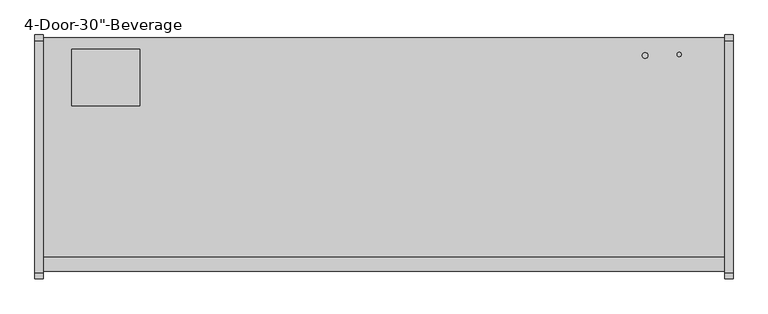
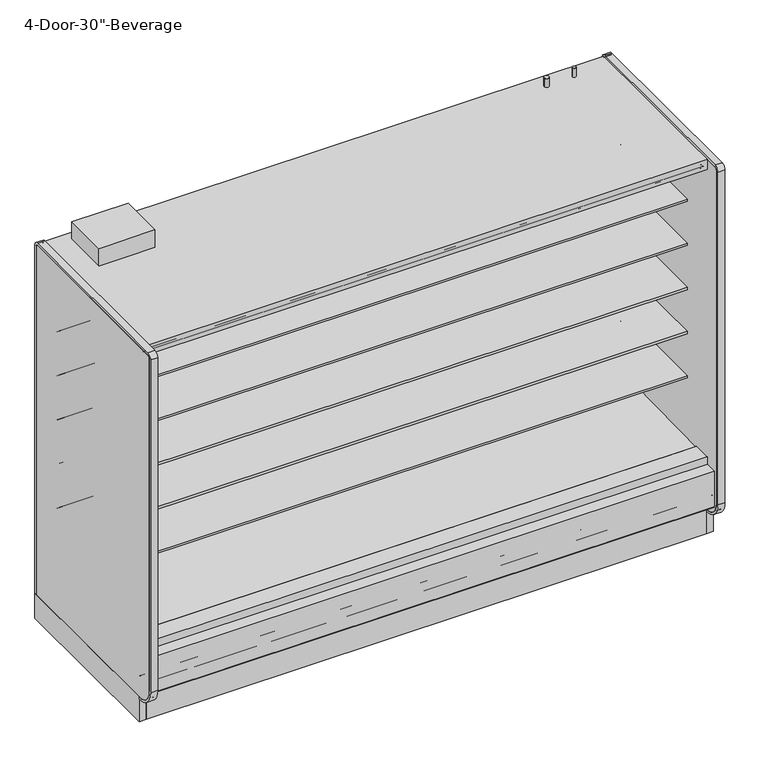
"""IFC4 building model written with IfcOpenShell, lengths in millimetres: proxy geometry."""

from ifc_helpers import new_model, si_unit, point, frame, frame_2d, origin, origin_with_axes, place, context, project, spatial, polyline, circle_curve, trimmed, segment, composite_curve, outline, extrude, source, transform, mapped, element, save
from ifc_brep_helpers import plane_surface, cylinder_surface, revolved_surface, advanced_brep


def proxy_6c0f6790(model_context):
    return source(origin(), model_context, "Body", "SolidModel", [
        extrude(outline(polyline([(-1318.106026, 207.2507391), (-1305.4059832, 196.5941379), (-1305.4059832, 0.4239338), (-1318.106026, 0.4239338), (-1318.106026, 207.2507391)])), frame((0.0, 0.0, 0.0), z_axis=(1.0, 0.0, 0.0), x_axis=(0.0, 1.0, 0.0)), (0.0, 0.0, 1.0), 3048.0),
        extrude(outline(polyline([(0.0, -76.2), (0.0, 0.0), (304.8, 0.0), (304.8, -76.2), (0.0, -76.2)])), frame((304.8, -1257.8018226, 2069.9402149), z_axis=(0.0, 0.07985742909739812, 0.9968062956351922), x_axis=(-1.0, 0.0, 0.0)), (0.0, 0.0, 1.0), 12.7),
        extrude(outline(composite_curve([segment(polyline([(-1139.652044, 788.1304004), (-1139.652044, 801.6241504), (-453.852044, 801.6241504), (-453.852044, 700.8188557), (-465.2157046, 700.5975577)]), True, "CONTINUOUS"), segment(trimmed(circle_curve(frame_2d((-465.7036503, 725.6535856)), 25.0607786), [point((-465.2157046, 700.5975577))], [point((-481.6109729, 706.2886764))], False, "CARTESIAN"), True, "CONTINUOUS"), segment(polyline([(-481.6109729, 706.2886764), (-519.8326735, 737.3719449)]), True, "CONTINUOUS"), segment(trimmed(circle_curve(frame_2d((-559.8971466, 688.1064601)), 63.5), [point((-519.8326735, 737.3719449))], [point((-553.0441372, 751.2355839))], True, "CARTESIAN"), True, "CONTINUOUS"), segment(polyline([(-553.0441372, 751.2355839), (-968.6518104, 783.846074), (-968.6518104, 788.1304004), (-1139.652044, 788.1304004)]), True, "CONTINUOUS")], self_intersect=False)), frame((0.0, 0.0, 0.0), z_axis=(1.0, 0.0, 0.0), x_axis=(0.0, 1.0, 0.0)), (0.0, 0.0, 1.0), 3048.0),
        extrude(outline(composite_curve([segment(polyline([(-1139.652044, 1042.1304004), (-1139.652044, 1055.6241504), (-453.852044, 1055.6241504), (-453.852044, 954.8188557), (-465.2157046, 954.5975577)]), True, "CONTINUOUS"), segment(trimmed(circle_curve(frame_2d((-465.7036503, 979.6535856)), 25.0607786), [point((-465.2157046, 954.5975577))], [point((-481.6109729, 960.2886764))], False, "CARTESIAN"), True, "CONTINUOUS"), segment(polyline([(-481.6109729, 960.2886764), (-519.8326735, 991.3719449)]), True, "CONTINUOUS"), segment(trimmed(circle_curve(frame_2d((-559.8971466, 942.1064601)), 63.5), [point((-519.8326735, 991.3719449))], [point((-553.0441372, 1005.2355839))], True, "CARTESIAN"), True, "CONTINUOUS"), segment(polyline([(-553.0441372, 1005.2355839), (-968.6518104, 1037.846074), (-968.6518104, 1042.1304004), (-1139.652044, 1042.1304004)]), True, "CONTINUOUS")], self_intersect=False)), frame((0.0, 0.0, 0.0), z_axis=(1.0, 0.0, 0.0), x_axis=(0.0, 1.0, 0.0)), (0.0, 0.0, 1.0), 3048.0),
        extrude(outline(composite_curve([segment(polyline([(-1139.652044, 1296.1304004), (-1139.652044, 1309.6241504), (-453.852044, 1309.6241504), (-453.852044, 1208.8188557), (-465.2157046, 1208.5975577)]), True, "CONTINUOUS"), segment(trimmed(circle_curve(frame_2d((-465.7036503, 1233.6535856)), 25.0607786), [point((-465.2157046, 1208.5975577))], [point((-481.6109729, 1214.2886764))], False, "CARTESIAN"), True, "CONTINUOUS"), segment(polyline([(-481.6109729, 1214.2886764), (-519.8326735, 1245.3719449)]), True, "CONTINUOUS"), segment(trimmed(circle_curve(frame_2d((-559.8971466, 1196.1064601)), 63.5), [point((-519.8326735, 1245.3719449))], [point((-553.0441372, 1259.2355839))], True, "CARTESIAN"), True, "CONTINUOUS"), segment(polyline([(-553.0441372, 1259.2355839), (-968.6518104, 1291.846074), (-968.6518104, 1296.1304004), (-1139.652044, 1296.1304004)]), True, "CONTINUOUS")], self_intersect=False)), frame((0.0, 0.0, 0.0), z_axis=(1.0, 0.0, 0.0), x_axis=(0.0, 1.0, 0.0)), (0.0, 0.0, 1.0), 3048.0),
        extrude(outline(composite_curve([segment(polyline([(-1139.652044, 1550.1304004), (-1139.652044, 1563.6241504), (-453.852044, 1563.6241504), (-453.852044, 1462.8188557), (-465.2157046, 1462.5975577)]), True, "CONTINUOUS"), segment(trimmed(circle_curve(frame_2d((-465.7036503, 1487.6535856)), 25.0607786), [point((-465.2157046, 1462.5975577))], [point((-481.6109729, 1468.2886764))], False, "CARTESIAN"), True, "CONTINUOUS"), segment(polyline([(-481.6109729, 1468.2886764), (-519.8326735, 1499.3719449)]), True, "CONTINUOUS"), segment(trimmed(circle_curve(frame_2d((-559.8971466, 1450.1064601)), 63.5), [point((-519.8326735, 1499.3719449))], [point((-553.0441372, 1513.2355839))], True, "CARTESIAN"), True, "CONTINUOUS"), segment(polyline([(-553.0441372, 1513.2355839), (-968.6518104, 1545.846074), (-968.6518104, 1550.1304004), (-1139.652044, 1550.1304004)]), True, "CONTINUOUS")], self_intersect=False)), frame((0.0, 0.0, 0.0), z_axis=(1.0, 0.0, 0.0), x_axis=(0.0, 1.0, 0.0)), (0.0, 0.0, 1.0), 3048.0),
        extrude(outline(composite_curve([segment(polyline([(-1179.8089716, 2076.7249354), (-1179.8089716, 2078.925392), (-1258.0451873, 2084.3962012), (-1258.0451873, 2075.9223079)]), True, "CONTINUOUS"), segment(trimmed(circle_curve(frame_2d((-1260.5851873, 2075.9223079)), 2.54), [point((-1258.0451873, 2075.9223079))], [point((-1260.5851873, 2073.3823079))], False, "CARTESIAN"), True, "CONTINUOUS"), segment(polyline([(-1260.5851873, 2073.3823079), (-1269.8053873, 2073.3823079)]), True, "CONTINUOUS"), segment(trimmed(circle_curve(frame_2d((-1269.8053873, 2075.9223079)), 2.54), [point((-1269.8053873, 2073.3823079))], [point((-1272.3453873, 2075.9223079))], False, "CARTESIAN"), True, "CONTINUOUS"), segment(polyline([(-1272.3453873, 2075.9223079), (-1272.3453873, 2092.9469554)]), True, "CONTINUOUS"), segment(trimmed(circle_curve(frame_2d((-1274.8853873, 2092.9469554)), 2.54), [point((-1272.3453873, 2092.9469554))], [point((-1274.8853873, 2095.4869554))], True, "CARTESIAN"), True, "CONTINUOUS"), segment(polyline([(-1274.8853873, 2095.4869554), (-1288.8553873, 2095.4869554)]), True, "CONTINUOUS"), segment(trimmed(circle_curve(frame_2d((-1288.8553873, 2098.0269554)), 2.54), [point((-1288.8553873, 2095.4869554))], [point((-1291.3953873, 2098.0269554))], False, "CARTESIAN"), True, "CONTINUOUS"), segment(polyline([(-1291.3953873, 2098.0269554), (-1291.3953873, 2102.7701079), (-402.3474764, 2102.7701079), (-402.3474764, 418.2554484), (-453.852044, 418.2554484), (-453.852044, 2076.7249354), (-1179.8089716, 2076.7249354)]), True, "CONTINUOUS")], self_intersect=False)), frame((0.0, 0.0, 0.0), z_axis=(1.0, 0.0, 0.0), x_axis=(0.0, 1.0, 0.0)), (0.0, 0.0, 1.0), 3048.0),
        advanced_brep(
        [(3048.0, -1318.106026, 204.9450868), (3048.0, -1318.106026, 0.0), (3048.0, -1156.1809832, 0.0), (3048.0, -1156.1809832, 130.5306), (3048.0, -1226.6745247, 130.5306), (3048.0, -1377.1737273, 256.8144254), (3048.0, -1377.1737273, 391.9982), (3048.0, -1326.8776974, 391.9982), (3048.0, -1326.8776974, 404.6728), (3048.0, -1393.9631273, 404.6728), (3048.0, -1393.9631273, 201.3982889), (3048.0, -1384.4389382, 195.8985595), (3048.0, -1339.6997646, 221.7199387), (0.0, -1318.106026, 204.9450868), (0.0, -1339.6997646, 221.7199387), (0.0, -1384.4389382, 195.8985595), (0.0, -1393.9631273, 201.3982889), (0.0, -1393.9631273, 404.6728), (0.0, -1326.8776974, 404.6728), (0.0, -1326.8776974, 391.9982), (0.0, -1377.1737273, 391.9982), (0.0, -1377.1737273, 256.8144254), (0.0, -1226.6745247, 130.5306), (0.0, -1156.1809832, 130.5306), (0.0, -1156.1809832, 0.0), (0.0, -1318.106026, 0.0), (677.9753763, -1301.1164467, 0.0), (677.9753763, -1203.5310315, 0.0), (363.1798722, -1203.5310315, 0.0), (363.1798722, -1301.1164467, 0.0), (677.9753763, -1301.1164467, 50.8), (677.9753763, -1203.5310315, 50.8), (363.1798722, -1203.5310315, 50.8), (363.1798722, -1301.1164467, 50.8)],
        [
            (0, 1),
            (1, 2),
            (2, 3),
            (3, 4),
            (4, 5),
            (5, 6),
            (6, 7),
            (7, 8),
            (8, 9),
            (9, 10),
            (10, 11, circle_curve(frame((3048.0, -1387.6131273, 201.3982889), z_axis=(1.0, 0.0, 0.0), x_axis=(0.0, 1.0, 0.0)), 6.35)),
            (11, 12),
            (12, 0),
            (13, 14),
            (14, 15),
            (15, 16, circle_curve(frame((0.0, -1387.6131273, 201.3982889), z_axis=(-1.0, 0.0, 0.0), x_axis=(0.0, 1.0, 0.0)), 6.35)),
            (16, 17),
            (17, 18),
            (18, 19),
            (19, 20),
            (20, 21),
            (21, 22),
            (22, 23),
            (23, 24),
            (24, 25),
            (25, 13),
            (0, 13),
            (25, 1),
            (24, 2),
            (26, 27),
            (27, 28),
            (28, 29),
            (29, 26),
            (23, 3),
            (22, 4),
            (21, 5),
            (20, 6),
            (19, 7),
            (18, 8),
            (17, 9),
            (16, 10),
            (15, 11),
            (14, 12),
            (26, 30),
            (30, 31),
            (31, 27),
            (28, 32),
            (32, 33),
            (33, 29),
            (31, 32),
            (30, 33),
        ],
        [
            plane_surface(frame((3048.0, -1318.106026, 0.0), z_axis=(1.0, 0.0, 0.0), x_axis=(0.0, 0.0, -1.0))),
            plane_surface(frame((0.0, -1318.106026, 0.0), z_axis=(-1.0, 0.0, 0.0), x_axis=(0.0, 0.0, 1.0))),
            plane_surface(frame((3048.0, -1318.106026, 204.9450868), z_axis=(0.0, -1.0, 0.0), x_axis=(-1.0, 0.0, 0.0))),
            plane_surface(frame((3048.0, -1318.106026, 0.0), z_axis=(0.0, 0.0, -1.0), x_axis=(-1.0, 0.0, 0.0))),
            plane_surface(frame((3048.0, -1156.1809832, 0.0), z_axis=(0.0, 1.0, 0.0), x_axis=(-1.0, 0.0, 0.0))),
            plane_surface(frame((3048.0, -1156.1809832, 130.5306), z_axis=(0.0, 0.0, 1.0), x_axis=(-1.0, 0.0, 0.0))),
            plane_surface(frame((3048.0, -1226.6745247, 130.5306), z_axis=(0.0, 0.6427876096877188, 0.7660444431179884), x_axis=(-1.0, 0.0, 0.0))),
            plane_surface(frame((3048.0, -1377.1737273, 256.8144254), z_axis=(0.0, 1.0, 0.0), x_axis=(-1.0, 0.0, 0.0))),
            plane_surface(frame((3048.0, -1377.1737273, 391.9982), z_axis=(0.0, 0.0, -1.0), x_axis=(-1.0, 0.0, 0.0))),
            plane_surface(frame((3048.0, -1326.8776974, 391.9982), z_axis=(0.0, 1.0, 0.0), x_axis=(-1.0, 0.0, 0.0))),
            plane_surface(frame((3048.0, -1326.8776974, 404.6728), z_axis=(0.0, 0.0, 1.0), x_axis=(-1.0, 0.0, 0.0))),
            plane_surface(frame((3048.0, -1393.9631273, 404.6728), z_axis=(0.0, -1.0, 0.0), x_axis=(-1.0, 0.0, 0.0))),
            cylinder_surface(frame((0.0, -1387.6131273, 201.3982889), z_axis=(1.0, 0.0, 0.0), x_axis=(0.0, 1.0, 0.0)), 6.35),
            plane_surface(frame((3048.0, -1384.4389382, 195.8985595), z_axis=(0.0, 0.4998723022013517, -0.8660991175910068), x_axis=(-1.0, 0.0, 0.0))),
            plane_surface(frame((3048.0, -1339.6997646, 221.7199387), z_axis=(0.0, -0.6134784338805639, -0.7897114733644501), x_axis=(-1.0, 0.0, 0.0))),
            plane_surface(frame((677.9753763, -1207.3278954, 0.0), z_axis=(-1.0, 0.0, 0.0), x_axis=(0.0, 1.0, 0.0))),
            plane_surface(frame((363.1798722, -1207.3278954, 0.0), z_axis=(1.0, 0.0, 0.0), x_axis=(0.0, -1.0, 0.0))),
            plane_surface(frame((677.9753763, -1203.5310315, 0.0), z_axis=(0.0, -1.0, 0.0), x_axis=(-1.0, 0.0, 0.0))),
            plane_surface(frame((677.9753763, -1203.5310315, 50.8), z_axis=(0.0, 0.0, -1.0), x_axis=(-1.0, 0.0, 0.0))),
            plane_surface(frame((677.9753763, -1301.1164467, 50.8), z_axis=(0.0, 1.0, 0.0), x_axis=(-1.0, 0.0, 0.0))),
        ],
        [
            (0, [[1, 2, 3, 4, 5, 6, 7, 8, 9, 10, 11, 12, 13]]),
            (1, [[14, 15, 16, 17, 18, 19, 20, 21, 22, 23, 24, 25, 26]]),
            (2, [[-1, 27, -26, 28]]),
            (3, [[-2, -28, -25, 29], [30, 31, 32, 33]]),
            (4, [[-3, -29, -24, 34]]),
            (5, [[-4, -34, -23, 35]]),
            (6, [[-5, -35, -22, 36]]),
            (7, [[-6, -36, -21, 37]]),
            (8, [[-7, -37, -20, 38]]),
            (9, [[-8, -38, -19, 39]]),
            (10, [[-9, -39, -18, 40]]),
            (11, [[-10, -40, -17, 41]]),
            (12, [[-11, -41, -16, 42]]),
            (13, [[-12, -42, -15, 43]]),
            (14, [[-13, -43, -14, -27]]),
            (15, [[44, 45, 46, -30]]),
            (16, [[47, 48, 49, -32]]),
            (17, [[-46, 50, -47, -31]]),
            (18, [[-45, 51, -48, -50]]),
            (19, [[-44, -33, -49, -51]]),
        ],
    ),
        extrude(outline(composite_curve([segment(trimmed(circle_curve(frame_2d((354.0125, 2971.8)), 12.7), [point((341.3125, 2971.8))], [point((366.7125, 2971.8))], False, "CARTESIAN"), True, "CONTINUOUS"), segment(trimmed(circle_curve(frame_2d((354.0125, 2971.8)), 12.7), [point((366.7125, 2971.8))], [point((341.3125, 2971.8))], False, "CARTESIAN"), True, "CONTINUOUS")], self_intersect=False)), frame((0.0, -399.8071273, 0.0), z_axis=(0.0, 1.0, 0.0), x_axis=(0.0, 0.0, 1.0)), (0.0, 0.0, 1.0), 50.8),
        extrude(outline(composite_curve([segment(trimmed(circle_curve(frame_2d((354.0125, 2921.0)), 9.525), [point((344.4875, 2921.0))], [point((363.5375, 2921.0))], False, "CARTESIAN"), True, "CONTINUOUS"), segment(trimmed(circle_curve(frame_2d((354.0125, 2921.0)), 9.525), [point((363.5375, 2921.0))], [point((344.4875, 2921.0))], False, "CARTESIAN"), True, "CONTINUOUS")], self_intersect=False)), frame((0.0, -399.8071273, 0.0), z_axis=(0.0, 1.0, 0.0), x_axis=(0.0, 0.0, 1.0)), (0.0, 0.0, 1.0), 50.8),
        advanced_brep(
        [(3048.0, -349.0071273, 130.5306), (3048.0, -349.0071273, 2159.0692079), (3048.0, -1328.759197, 2159.0692079), (3048.0, -1328.759197, 2102.7701079), (3048.0, -402.3474764, 2102.7701079), (3048.0, -402.3474764, 358.6596808), (3048.0, -549.3331942, 211.7249958), (3048.0, -991.2928374, 196.2548056), (3048.0, -1033.515372, 165.5831237), (3048.0, -1035.4689267, 165.5149041), (3048.0, -1048.6488905, 157.9054484), (3048.0, -1108.9738905, 157.9054484), (3048.0, -1117.2097949, 162.6604501), (3048.0, -1119.3438463, 162.5859274), (3048.0, -1169.010644, 190.034038), (3048.0, -1325.2901974, 342.4428), (3048.0, -1325.2901974, 391.9982), (3048.0, -1377.1737273, 391.9982), (3048.0, -1377.1737273, 256.8144254), (3048.0, -1226.6745247, 130.5306), (0.0, -349.0071273, 130.5306), (0.0, -1226.6745247, 130.5306), (0.0, -1377.1737273, 256.8144254), (0.0, -1377.1737273, 391.9982), (0.0, -1325.2901974, 391.9982), (0.0, -1325.2901974, 342.4428), (0.0, -1169.010644, 190.034038), (0.0, -1119.3438463, 162.5859274), (0.0, -1117.2097949, 162.6604501), (0.0, -1108.9738905, 157.9054484), (0.0, -1048.6488905, 157.9054484), (0.0, -1035.4689267, 165.5149041), (0.0, -1033.515372, 165.5831237), (0.0, -991.2928374, 196.2548056), (0.0, -549.3331942, 211.7249958), (0.0, -402.3474764, 358.6596808), (0.0, -402.3474764, 2102.7701079), (0.0, -1328.759197, 2102.7701079), (0.0, -1328.759197, 2159.0692079), (0.0, -349.0071273, 2159.0692079), (2946.4, -349.0071273, 303.2125), (2946.4, -349.0071273, 404.8125), (2946.4, -399.8071273, 404.8125), (2946.4, -399.8071273, 303.2125)],
        [
            (0, 1),
            (1, 2),
            (2, 3),
            (3, 4),
            (4, 5),
            (5, 6, circle_curve(frame((3048.0, -554.6779329, 364.0573175), z_axis=(-1.0, 0.0, 0.0), x_axis=(0.0, 1.0, 0.0)), 152.4260557)),
            (6, 7),
            (7, 8),
            (8, 9),
            (9, 10),
            (10, 11),
            (11, 12),
            (12, 13),
            (13, 14),
            (14, 15, circle_curve(frame((3048.0, -1174.2931139, 340.9461144), z_axis=(-1.0, 0.0, 0.0), x_axis=(0.0, 1.0, 0.0)), 151.0045009)),
            (15, 16),
            (16, 17),
            (17, 18),
            (18, 19),
            (19, 0),
            (20, 21),
            (21, 22),
            (22, 23),
            (23, 24),
            (24, 25),
            (25, 26, circle_curve(frame((0.0, -1174.2931139, 340.9461144), z_axis=(1.0, 0.0, 0.0), x_axis=(0.0, 1.0, 0.0)), 151.0045009)),
            (26, 27),
            (27, 28),
            (28, 29),
            (29, 30),
            (30, 31),
            (31, 32),
            (32, 33),
            (33, 34),
            (34, 35, circle_curve(frame((0.0, -554.6779329, 364.0573175), z_axis=(1.0, 0.0, 0.0), x_axis=(0.0, 1.0, 0.0)), 152.4260557)),
            (35, 36),
            (36, 37),
            (37, 38),
            (38, 39),
            (39, 20),
            (0, 20),
            (39, 1),
            (40, 41, circle_curve(frame((2946.4, -349.0071273, 354.0125), z_axis=(0.0, -1.0, 0.0), x_axis=(0.0, 0.0, -1.0)), 50.8)),
            (41, 40, circle_curve(frame((2946.4, -349.0071273, 354.0125), z_axis=(0.0, -1.0, 0.0), x_axis=(0.0, 0.0, -1.0)), 50.8)),
            (38, 2),
            (37, 3),
            (36, 4),
            (6, 34),
            (33, 7),
            (32, 8),
            (31, 9),
            (30, 10),
            (29, 11),
            (28, 12),
            (27, 13),
            (26, 14),
            (25, 15),
            (24, 16),
            (23, 17),
            (22, 18),
            (21, 19),
            (35, 5),
            (42, 43, circle_curve(frame((2946.4, -399.8071273, 354.0125), z_axis=(0.0, 1.0, 0.0), x_axis=(0.0, 0.0, -1.0)), 50.8)),
            (43, 42, circle_curve(frame((2946.4, -399.8071273, 354.0125), z_axis=(0.0, 1.0, 0.0), x_axis=(0.0, 0.0, -1.0)), 50.8)),
            (42, 41),
            (40, 43),
        ],
        [
            plane_surface(frame((3048.0, -349.0071273, 2154.3067079), z_axis=(1.0, 0.0, 0.0), x_axis=(0.0, 0.0, 1.0))),
            plane_surface(frame((0.0, -349.0071273, 2154.3067079), z_axis=(-1.0, 0.0, 0.0), x_axis=(0.0, 0.0, -1.0))),
            plane_surface(frame((3048.0, -349.0071273, 130.5306), z_axis=(0.0, 1.0, 0.0), x_axis=(-1.0, 0.0, 0.0))),
            plane_surface(frame((3048.0, -349.0071273, 2159.0692079), z_axis=(0.0, 0.0, 1.0), x_axis=(-1.0, 0.0, 0.0))),
            plane_surface(frame((3048.0, -1328.759197, 2159.0692079), z_axis=(0.0, -1.0, 0.0), x_axis=(-1.0, 0.0, 0.0))),
            plane_surface(frame((3048.0, -1328.759197, 2102.7701079), z_axis=(0.0, 0.0, -1.0), x_axis=(-1.0, 0.0, 0.0))),
            plane_surface(frame((3048.0, -549.3331942, 211.7249958), z_axis=(0.0, -0.03498220179415916, 0.9993879354673203), x_axis=(-1.0, 0.0, 0.0))),
            plane_surface(frame((3048.0, -991.2928374, 196.2548056), z_axis=(0.0, -0.5877252382161511, 0.8090605937528836), x_axis=(-1.0, 0.0, 0.0))),
            plane_surface(frame((3048.0, -1033.515372, 165.5831237), z_axis=(0.0, -0.034899496717989933, 0.9993908270185549), x_axis=(-1.0, 0.0, 0.0))),
            plane_surface(frame((3048.0, -1035.4689267, 165.5149041), z_axis=(0.0, -0.5000000000128472, 0.8660254037770214), x_axis=(-1.0, 0.0, 0.0))),
            plane_surface(frame((3048.0, -1048.6488905, 157.9054484), z_axis=(0.0, 0.0, 1.0), x_axis=(-1.0, 0.0, 0.0))),
            plane_surface(frame((3048.0, -1108.9738905, 157.9054484), z_axis=(0.0, 0.49999999998692984, 0.8660254037919848), x_axis=(-1.0, 0.0, 0.0))),
            plane_surface(frame((3048.0, -1117.2097949, 162.6604501), z_axis=(0.0, -0.03489949671806632, 0.9993908270185522), x_axis=(-1.0, 0.0, 0.0))),
            plane_surface(frame((3048.0, -1119.3438463, 162.5859274), z_axis=(0.0, 0.483695152932422, 0.8752365389023021), x_axis=(-1.0, 0.0, 0.0))),
            revolved_surface(polyline([(0.0, -1023.2886129999999, 340.9461144), (3048.0, -1023.2886129999999, 340.9461144)]), (0.0, -1174.2931139, 340.9461144), (-1.0, 0.0, 0.0)),
            plane_surface(frame((3048.0, -1325.2901974, 342.4428), z_axis=(0.0, 1.0, 0.0), x_axis=(-1.0, 0.0, 0.0))),
            plane_surface(frame((3048.0, -1325.2901974, 391.9982), z_axis=(0.0, 0.0, 1.0), x_axis=(-1.0, 0.0, 0.0))),
            plane_surface(frame((3048.0, -1377.1737273, 391.9982), z_axis=(0.0, -1.0, 0.0), x_axis=(-1.0, 0.0, 0.0))),
            plane_surface(frame((3048.0, -1377.1737273, 256.8144254), z_axis=(0.0, -0.6427876096877191, -0.7660444431179881), x_axis=(-1.0, 0.0, 0.0))),
            plane_surface(frame((3048.0, -1226.6745247, 130.5306), z_axis=(0.0, 0.0, -1.0), x_axis=(-1.0, 0.0, 0.0))),
            plane_surface(frame((3048.0, -402.3474764, 2102.7701079), z_axis=(0.0, -1.0, 0.0), x_axis=(-1.0, 0.0, 0.0))),
            revolved_surface(polyline([(0.0, -402.25187719999997, 364.0573175), (3048.0, -402.25187719999997, 364.0573175)]), (0.0, -554.6779329, 364.0573175), (-1.0, 0.0, 0.0)),
            plane_surface(frame((2946.4, -399.8071273, 303.2125), z_axis=(0.0, 1.0, 0.0), x_axis=(1.0, 0.0, 0.0))),
            revolved_surface(polyline([(2946.4, -349.0071273, 303.2125), (2946.4, -399.8071273, 303.2125)]), (2946.4, -399.8071273, 354.0125), (0.0, 1.0, 0.0)),
        ],
        [
            (0, [[1, 2, 3, 4, 5, 6, 7, 8, 9, 10, 11, 12, 13, 14, 15, 16, 17, 18, 19, 20]]),
            (1, [[21, 22, 23, 24, 25, 26, 27, 28, 29, 30, 31, 32, 33, 34, 35, 36, 37, 38, 39, 40]]),
            (2, [[-1, 41, -40, 42], [43, 44]]),
            (3, [[-2, -42, -39, 45]]),
            (4, [[-3, -45, -38, 46]]),
            (5, [[-4, -46, -37, 47]]),
            (6, [[-7, 48, -34, 49]]),
            (7, [[-8, -49, -33, 50]]),
            (8, [[-9, -50, -32, 51]]),
            (9, [[-10, -51, -31, 52]]),
            (10, [[-11, -52, -30, 53]]),
            (11, [[-12, -53, -29, 54]]),
            (12, [[-13, -54, -28, 55]]),
            (13, [[-14, -55, -27, 56]]),
            (14, [[-15, -56, -26, 57]]),
            (15, [[-16, -57, -25, 58]]),
            (16, [[-17, -58, -24, 59]]),
            (17, [[-18, -59, -23, 60]]),
            (18, [[-19, -60, -22, 61]]),
            (19, [[-20, -61, -21, -41]]),
            (20, [[-5, -47, -36, 62]]),
            (21, [[-6, -62, -35, -48]]),
            (22, [[63, 64]]),
            (23, [[-63, 65, -43, 66]]),
            (23, [[-64, -66, -44, -65]]),
        ],
    ),
        advanced_brep(
        [(3048.0, -349.0071273, 0.0), (3048.0, -349.0071273, 130.5306), (3048.0, -1156.1809832, 130.5306), (3048.0, -1156.1809832, 0.0), (3048.0, -1108.6576273, 0.0), (3048.0, -1108.6576273, 74.8810382), (3048.0, -394.2191273, 74.8810382), (3048.0, -394.2191273, 0.0), (0.0, -349.0071273, 0.0), (0.0, -394.2191273, 0.0), (0.0, -394.2191273, 74.8810382), (0.0, -1108.6576273, 74.8810382), (0.0, -1108.6576273, 0.0), (0.0, -1156.1809832, 0.0), (0.0, -1156.1809832, 130.5306), (0.0, -349.0071273, 130.5306), (1487.9092567, -1108.6576273, 74.8810382), (1487.9092567, -1108.6576273, 127.0), (1560.0907433, -1108.6576273, 127.0), (1560.0907433, -1108.6576273, 74.8810382), (1658.0570331, -1108.6576273, 74.8810382), (1658.0570331, -1108.6576273, 127.0), (1736.0179669, -1108.6576273, 127.0), (1736.0179669, -1108.6576273, 74.8810382)],
        [
            (0, 1),
            (1, 2),
            (2, 3),
            (3, 4),
            (4, 5),
            (5, 6),
            (6, 7),
            (7, 0),
            (8, 9),
            (9, 10),
            (10, 11),
            (11, 12),
            (12, 13),
            (13, 14),
            (14, 15),
            (15, 8),
            (0, 8),
            (15, 1),
            (4, 12),
            (11, 16),
            (16, 17),
            (17, 18),
            (18, 19),
            (19, 20),
            (20, 21),
            (21, 22),
            (22, 23),
            (23, 5),
            (23, 20, circle_curve(frame((1697.0375, -1076.0821273, 74.8810382), z_axis=(0.0, 0.0, 1.0), x_axis=(1.0, 0.0, 0.0)), 50.8)),
            (19, 16, circle_curve(frame((1524.0, -1072.9071273, 74.8810382), z_axis=(0.0, 0.0, 1.0), x_axis=(1.0, 0.0, 0.0)), 50.8)),
            (10, 6),
            (9, 7),
            (17, 18, circle_curve(frame((1524.0, -1072.9071273, 127.0), z_axis=(0.0, 0.0, -1.0), x_axis=(1.0, 0.0, 0.0)), 50.8)),
            (21, 22, circle_curve(frame((1697.0375, -1076.0821273, 127.0), z_axis=(0.0, 0.0, -1.0), x_axis=(1.0, 0.0, 0.0)), 50.8)),
            (14, 2),
            (13, 3),
        ],
        [
            plane_surface(frame((3048.0, -349.0071273, 2438.4), z_axis=(1.0, 0.0, 0.0), x_axis=(0.0, 0.0, 1.0))),
            plane_surface(frame((0.0, -349.0071273, 2438.4), z_axis=(-1.0, 0.0, 0.0), x_axis=(0.0, 0.0, -1.0))),
            plane_surface(frame((3048.0, -349.0071273, 0.0), z_axis=(0.0, 1.0, 0.0), x_axis=(-1.0, 0.0, 0.0))),
            plane_surface(frame((3048.0, -1108.6576273, 0.0), z_axis=(0.0, 1.0, 0.0), x_axis=(-1.0, 0.0, 0.0))),
            plane_surface(frame((3048.0, -1108.6576273, 74.8810382), z_axis=(0.0, 0.0, -1.0), x_axis=(-1.0, 0.0, 0.0))),
            plane_surface(frame((3048.0, -394.2191273, 74.8810382), z_axis=(0.0, -1.0, 0.0), x_axis=(-1.0, 0.0, 0.0))),
            plane_surface(frame((3048.0, -394.2191273, 0.0), z_axis=(0.0, 0.0, -1.0), x_axis=(-1.0, 0.0, 0.0))),
            plane_surface(frame((1560.0907433, -1108.6576273, 127.0), z_axis=(0.0, 0.0, -1.0), x_axis=(1.0, 0.0, 0.0))),
            revolved_surface(polyline([(1574.8, -1072.9071273, 127.0), (1574.8, -1072.9071273, 74.8810382)]), (1524.0, -1072.9071273, 0.0), (0.0, 0.0, 1.0)),
            plane_surface(frame((1736.0179669, -1108.6576273, 127.0), z_axis=(0.0, 0.0, -1.0), x_axis=(1.0, 0.0, 0.0))),
            revolved_surface(polyline([(1747.8374999999999, -1076.0821273, 127.0), (1747.8374999999999, -1076.0821273, 74.8810382)]), (1697.0375, -1076.0821273, 0.0), (0.0, 0.0, 1.0)),
            plane_surface(frame((3048.0, -349.0071273, 130.5306), z_axis=(0.0, 0.0, 1.0), x_axis=(-1.0, 0.0, 0.0))),
            plane_surface(frame((3048.0, -1156.1809832, 130.5306), z_axis=(0.0, -1.0, 0.0), x_axis=(-1.0, 0.0, 0.0))),
            plane_surface(frame((3048.0, -1156.1809832, 0.0), z_axis=(0.0, 0.0, -1.0), x_axis=(-1.0, 0.0, 0.0))),
        ],
        [
            (0, [[1, 2, 3, 4, 5, 6, 7, 8]]),
            (1, [[9, 10, 11, 12, 13, 14, 15, 16]]),
            (2, [[-1, 17, -16, 18]]),
            (3, [[-5, 19, -12, 20, 21, 22, 23, 24, 25, 26, 27, 28]]),
            (4, [[-6, -28, 29, -24, 30, -20, -11, 31]]),
            (5, [[-7, -31, -10, 32]]),
            (6, [[-8, -32, -9, -17]]),
            (7, [[33, -22]]),
            (8, [[-33, -21, -30, -23]]),
            (9, [[34, -26]]),
            (10, [[-34, -25, -29, -27]]),
            (11, [[-2, -18, -15, 35]]),
            (12, [[-3, -35, -14, 36]]),
            (13, [[-19, -4, -36, -13]]),
        ],
    ),
        extrude(outline(composite_curve([segment(polyline([(-1139.652044, 1803.3473276), (-1139.652044, 1816.8410776), (-453.852044, 1816.8410776), (-453.852044, 1716.035783), (-465.2157046, 1715.814485)]), True, "CONTINUOUS"), segment(trimmed(circle_curve(frame_2d((-465.7036503, 1740.8705128)), 25.0607786), [point((-465.2157046, 1715.814485))], [point((-481.6109729, 1721.5056036))], False, "CARTESIAN"), True, "CONTINUOUS"), segment(polyline([(-481.6109729, 1721.5056036), (-519.8326735, 1752.5888722)]), True, "CONTINUOUS"), segment(trimmed(circle_curve(frame_2d((-559.8971466, 1703.3233874)), 63.5), [point((-519.8326735, 1752.5888722))], [point((-553.0441372, 1766.4525111))], True, "CARTESIAN"), True, "CONTINUOUS"), segment(polyline([(-553.0441372, 1766.4525111), (-968.6518104, 1799.0630012), (-968.6518104, 1803.3473276), (-1139.652044, 1803.3473276)]), True, "CONTINUOUS")], self_intersect=False)), frame((0.0, 0.0, 0.0), z_axis=(1.0, 0.0, 0.0), x_axis=(0.0, 1.0, 0.0)), (0.0, 0.0, 1.0), 3048.0),
        extrude(outline(polyline([(431.8, -399.8071273), (431.8, -653.8071273), (127.0, -653.8071273), (127.0, -399.8071273), (431.8, -399.8071273)])), frame((0.0, 0.0, 2159.6880358), z_axis=(0.0, 0.0, 1.0), x_axis=(1.0, 0.0, 0.0)), (0.0, 0.0, 1.0), 100.8085772),
        extrude(outline(composite_curve([segment(polyline([(-453.852044, 452.2592331), (-453.852044, 418.2554484), (-402.3474764, 418.2554484), (-402.3474764, 358.6596808)]), True, "CONTINUOUS"), segment(trimmed(circle_curve(frame_2d((-554.6779329, 364.0573175)), 152.4260557), [point((-402.3474764, 358.6596808))], [point((-549.3331942, 211.7249958))], False, "CARTESIAN"), True, "CONTINUOUS"), segment(polyline([(-549.3331942, 211.7249958), (-991.2928374, 196.2548056), (-1033.515372, 165.5831237), (-1035.4689267, 165.5149041), (-1048.6488905, 157.9054484), (-1108.9738905, 157.9054484), (-1117.2097949, 162.6604501), (-1119.3438463, 162.5859274), (-1169.010644, 190.034038)]), True, "CONTINUOUS"), segment(trimmed(circle_curve(frame_2d((-1174.2931139, 340.9461144)), 151.0045009), [point((-1169.010644, 190.034038))], [point((-1325.2901974, 342.4428))], False, "CARTESIAN"), True, "CONTINUOUS"), segment(polyline([(-1325.2901974, 342.4428), (-1325.2901974, 391.9982), (-1326.8776974, 391.9982), (-1326.8776974, 447.5353), (-1227.4661273, 447.5353)]), True, "CONTINUOUS"), segment(trimmed(circle_curve(frame_2d((-1227.4661273, 445.4779)), 2.0574), [point((-1227.4661273, 447.5353))], [point((-1225.4087273, 445.4779))], False, "CARTESIAN"), True, "CONTINUOUS"), segment(polyline([(-1225.4087273, 445.4779), (-1225.4087273, 438.3756667), (-453.852044, 452.2592331)]), True, "CONTINUOUS")], self_intersect=False)), frame((0.0, 0.0, 0.0), z_axis=(1.0, 0.0, 0.0), x_axis=(0.0, 1.0, 0.0)), (0.0, 0.0, 1.0), 3048.0),
        extrude(outline(composite_curve([segment(trimmed(circle_curve(frame_2d((2844.8, -423.7684604)), 9.525), [point((2835.275, -423.7684604))], [point((2854.325, -423.7684604))], False, "CARTESIAN"), True, "CONTINUOUS"), segment(trimmed(circle_curve(frame_2d((2844.8, -423.7684604)), 9.525), [point((2854.325, -423.7684604))], [point((2835.275, -423.7684604))], False, "CARTESIAN"), True, "CONTINUOUS")], self_intersect=False)), frame((0.0, 0.0, 2160.6567079), z_axis=(0.0, 0.0, 1.0), x_axis=(1.0, 0.0, 0.0)), (0.0, 0.0, 1.0), 50.8),
        extrude(outline(composite_curve([segment(trimmed(circle_curve(frame_2d((2692.4, -428.3821273)), 12.7), [point((2679.7, -428.3821273))], [point((2705.1, -428.3821273))], False, "CARTESIAN"), True, "CONTINUOUS"), segment(trimmed(circle_curve(frame_2d((2692.4, -428.3821273)), 12.7), [point((2705.1, -428.3821273))], [point((2679.7, -428.3821273))], False, "CARTESIAN"), True, "CONTINUOUS")], self_intersect=False)), frame((0.0, 0.0, 2160.6567079), z_axis=(0.0, 0.0, 1.0), x_axis=(1.0, 0.0, 0.0)), (0.0, 0.0, 1.0), 50.8),
        extrude(outline(composite_curve([segment(trimmed(circle_curve(frame_2d((-1325.3196273, 232.1306)), 88.9), [point((-1414.2196273, 232.1306))], [point((-1325.3196273, 143.2306))], True, "CARTESIAN"), True, "CONTINUOUS"), segment(polyline([(-1325.3196273, 143.2306), (-1318.106026, 143.2306), (-1318.106026, 130.7870064)]), True, "CONTINUOUS"), segment(trimmed(circle_curve(frame_2d((-1325.3196273, 232.1306)), 101.6), [point((-1318.106026, 130.7870064))], [point((-1426.9196273, 232.1306))], False, "CARTESIAN"), True, "CONTINUOUS"), segment(polyline([(-1426.9196273, 232.1306), (-1426.9196273, 2146.3692079)]), True, "CONTINUOUS"), segment(trimmed(circle_curve(frame_2d((-1401.5196273, 2146.3692079)), 25.4), [point((-1426.9196273, 2146.3692079))], [point((-1401.5196273, 2171.7692079))], False, "CARTESIAN"), True, "CONTINUOUS"), segment(polyline([(-1401.5196273, 2171.7692079), (-361.7071273, 2171.7692079)]), True, "CONTINUOUS"), segment(trimmed(circle_curve(frame_2d((-361.7071273, 2146.3692079)), 25.4), [point((-361.7071273, 2171.7692079))], [point((-336.3071273, 2146.3692079))], False, "CARTESIAN"), True, "CONTINUOUS"), segment(polyline([(-336.3071273, 2146.3692079), (-336.3071273, 143.2306), (-349.0071273, 143.2306), (-349.0071273, 2146.3692079)]), True, "CONTINUOUS"), segment(trimmed(circle_curve(frame_2d((-361.7071273, 2146.3692079)), 12.7), [point((-349.0071273, 2146.3692079))], [point((-361.7071273, 2159.0692079))], True, "CARTESIAN"), True, "CONTINUOUS"), segment(polyline([(-361.7071273, 2159.0692079), (-1401.5196273, 2159.0692079)]), True, "CONTINUOUS"), segment(trimmed(circle_curve(frame_2d((-1401.5196273, 2146.3692079)), 12.7), [point((-1401.5196273, 2159.0692079))], [point((-1414.2196273, 2146.3692079))], True, "CARTESIAN"), True, "CONTINUOUS"), segment(polyline([(-1414.2196273, 2146.3692079), (-1414.2196273, 232.1306)]), True, "CONTINUOUS")], self_intersect=False)), frame((3048.0, 0.0, 0.0), z_axis=(1.0, 0.0, 0.0), x_axis=(0.0, 1.0, 0.0)), (0.0, 0.0, 1.0), 38.1),
        extrude(outline(polyline([(3086.1, -336.3071273), (3086.1, -1318.106026), (3048.0, -1318.106026), (3048.0, -336.3071273), (3086.1, -336.3071273)])), origin_with_axes(), (0.0, 0.0, 1.0), 143.2306),
        extrude(outline(composite_curve([segment(polyline([(-1414.2196273, 232.1306), (-1414.2196273, 2146.3692079)]), True, "CONTINUOUS"), segment(trimmed(circle_curve(frame_2d((-1401.5196273, 2146.3692079)), 12.7), [point((-1414.2196273, 2146.3692079))], [point((-1401.5196273, 2159.0692079))], False, "CARTESIAN"), True, "CONTINUOUS"), segment(polyline([(-1401.5196273, 2159.0692079), (-361.7071273, 2159.0692079)]), True, "CONTINUOUS"), segment(trimmed(circle_curve(frame_2d((-361.7071273, 2146.3692079)), 12.7), [point((-361.7071273, 2159.0692079))], [point((-349.0071273, 2146.3692079))], False, "CARTESIAN"), True, "CONTINUOUS"), segment(polyline([(-349.0071273, 2146.3692079), (-349.0071273, 143.2306), (-1325.3196273, 143.2306)]), True, "CONTINUOUS"), segment(trimmed(circle_curve(frame_2d((-1325.3196273, 232.1306)), 88.9), [point((-1325.3196273, 143.2306))], [point((-1414.2196273, 232.1306))], False, "CARTESIAN"), True, "CONTINUOUS")], self_intersect=False)), frame((3048.0, 0.0, 0.0), z_axis=(1.0, 0.0, 0.0), x_axis=(0.0, 1.0, 0.0)), (0.0, 0.0, 1.0), 38.1),
        extrude(outline(composite_curve([segment(trimmed(circle_curve(frame_2d((-1325.3196273, 232.1306)), 88.9), [point((-1414.2196273, 232.1306))], [point((-1325.3196273, 143.2306))], True, "CARTESIAN"), True, "CONTINUOUS"), segment(polyline([(-1325.3196273, 143.2306), (-1318.106026, 143.2306), (-1318.106026, 130.7870064)]), True, "CONTINUOUS"), segment(trimmed(circle_curve(frame_2d((-1325.3196273, 232.1306)), 101.6), [point((-1318.106026, 130.7870064))], [point((-1426.9196273, 232.1306))], False, "CARTESIAN"), True, "CONTINUOUS"), segment(polyline([(-1426.9196273, 232.1306), (-1426.9196273, 2146.3692079)]), True, "CONTINUOUS"), segment(trimmed(circle_curve(frame_2d((-1401.5196273, 2146.3692079)), 25.4), [point((-1426.9196273, 2146.3692079))], [point((-1401.5196273, 2171.7692079))], False, "CARTESIAN"), True, "CONTINUOUS"), segment(polyline([(-1401.5196273, 2171.7692079), (-361.7071273, 2171.7692079)]), True, "CONTINUOUS"), segment(trimmed(circle_curve(frame_2d((-361.7071273, 2146.3692079)), 25.4), [point((-361.7071273, 2171.7692079))], [point((-336.3071273, 2146.3692079))], False, "CARTESIAN"), True, "CONTINUOUS"), segment(polyline([(-336.3071273, 2146.3692079), (-336.3071273, 143.2306), (-349.0071273, 143.2306), (-349.0071273, 2146.3692079)]), True, "CONTINUOUS"), segment(trimmed(circle_curve(frame_2d((-361.7071273, 2146.3692079)), 12.7), [point((-349.0071273, 2146.3692079))], [point((-361.7071273, 2159.0692079))], True, "CARTESIAN"), True, "CONTINUOUS"), segment(polyline([(-361.7071273, 2159.0692079), (-1401.5196273, 2159.0692079)]), True, "CONTINUOUS"), segment(trimmed(circle_curve(frame_2d((-1401.5196273, 2146.3692079)), 12.7), [point((-1401.5196273, 2159.0692079))], [point((-1414.2196273, 2146.3692079))], True, "CARTESIAN"), True, "CONTINUOUS"), segment(polyline([(-1414.2196273, 2146.3692079), (-1414.2196273, 232.1306)]), True, "CONTINUOUS")], self_intersect=False)), frame((-38.1, 0.0, 0.0), z_axis=(1.0, 0.0, 0.0), x_axis=(0.0, 1.0, 0.0)), (0.0, 0.0, 1.0), 38.1),
        extrude(outline(polyline([(673.1, -1207.3278954), (673.1, -1296.2278954), (368.3, -1296.2278954), (368.3, -1207.3278954), (673.1, -1207.3278954)])), frame((0.0, 0.0, 44.45), z_axis=(0.0, 0.0, 1.0), x_axis=(1.0, 0.0, 0.0)), (0.0, 0.0, 1.0), 6.35),
        extrude(outline(polyline([(0.0, -336.3071273), (0.0, -1318.106026), (-38.1, -1318.106026), (-38.1, -336.3071273), (0.0, -336.3071273)])), origin_with_axes(), (0.0, 0.0, 1.0), 143.2306),
        extrude(outline(composite_curve([segment(trimmed(circle_curve(frame_2d((1524.0, -1072.9071273)), 38.1), [point((1485.9, -1072.9071273))], [point((1562.1, -1072.9071273))], False, "CARTESIAN"), True, "CONTINUOUS"), segment(trimmed(circle_curve(frame_2d((1524.0, -1072.9071273)), 38.1), [point((1562.1, -1072.9071273))], [point((1485.9, -1072.9071273))], False, "CARTESIAN"), True, "CONTINUOUS")], self_intersect=False)), frame((0.0, 0.0, 61.2666507), z_axis=(0.0, 0.0, 1.0), x_axis=(1.0, 0.0, 0.0)), (0.0, 0.0, 1.0), 65.7333493),
        extrude(outline(composite_curve([segment(trimmed(circle_curve(frame_2d((1722.4375, -1076.0821273)), 12.7), [point((1709.7375, -1076.0821273))], [point((1735.1375, -1076.0821273))], False, "CARTESIAN"), True, "CONTINUOUS"), segment(trimmed(circle_curve(frame_2d((1722.4375, -1076.0821273)), 12.7), [point((1735.1375, -1076.0821273))], [point((1709.7375, -1076.0821273))], False, "CARTESIAN"), True, "CONTINUOUS")], self_intersect=False)), frame((0.0, 0.0, 61.2666507), z_axis=(0.0, 0.0, 1.0), x_axis=(1.0, 0.0, 0.0)), (0.0, 0.0, 1.0), 65.7333493),
        extrude(outline(composite_curve([segment(trimmed(circle_curve(frame_2d((1671.6375, -1076.0821273)), 9.525), [point((1662.1125, -1076.0821273))], [point((1681.1625, -1076.0821273))], False, "CARTESIAN"), True, "CONTINUOUS"), segment(trimmed(circle_curve(frame_2d((1671.6375, -1076.0821273)), 9.525), [point((1681.1625, -1076.0821273))], [point((1662.1125, -1076.0821273))], False, "CARTESIAN"), True, "CONTINUOUS")], self_intersect=False)), frame((0.0, 0.0, 61.2666507), z_axis=(0.0, 0.0, 1.0), x_axis=(1.0, 0.0, 0.0)), (0.0, 0.0, 1.0), 65.7333493),
        extrude(outline(composite_curve([segment(polyline([(-1414.2196273, 232.1306), (-1414.2196273, 2146.3692079)]), True, "CONTINUOUS"), segment(trimmed(circle_curve(frame_2d((-1401.5196273, 2146.3692079)), 12.7), [point((-1414.2196273, 2146.3692079))], [point((-1401.5196273, 2159.0692079))], False, "CARTESIAN"), True, "CONTINUOUS"), segment(polyline([(-1401.5196273, 2159.0692079), (-361.7071273, 2159.0692079)]), True, "CONTINUOUS"), segment(trimmed(circle_curve(frame_2d((-361.7071273, 2146.3692079)), 12.7), [point((-361.7071273, 2159.0692079))], [point((-349.0071273, 2146.3692079))], False, "CARTESIAN"), True, "CONTINUOUS"), segment(polyline([(-349.0071273, 2146.3692079), (-349.0071273, 143.2306), (-1325.3196273, 143.2306)]), True, "CONTINUOUS"), segment(trimmed(circle_curve(frame_2d((-1325.3196273, 232.1306)), 88.9), [point((-1325.3196273, 143.2306))], [point((-1414.2196273, 232.1306))], False, "CARTESIAN"), True, "CONTINUOUS")], self_intersect=False)), frame((-38.1, 0.0, 0.0), z_axis=(1.0, 0.0, 0.0), x_axis=(0.0, 1.0, 0.0)), (0.0, 0.0, 1.0), 38.1),
    ])


if __name__ == "__main__":
    model = new_model("IFC4")
    model_context = context("Model", 3, world=origin())
    ifc_project = project(units=[si_unit("LENGTHUNIT", "METRE", prefix="MILLI")], contexts=[model_context])
    site = spatial("IfcSite", under=ifc_project)
    building = spatial("IfcBuilding", under=site)
    placement = place(None, origin())
    proxy_shape = proxy_6c0f6790(model_context)
    element("IfcBuildingElementProxy", 1, Name="4-Door-30\"-Beverage", ObjectType="4-Door-30\"-Beverage", at=placement, inside=building, context=model_context, shape_type="MappedRepresentation", body=[
        mapped(proxy_shape, transform((0.0, 0.0, 0.0), x_axis=(1.0, 0.0, 0.0), y_axis=(0.0, 1.0, 0.0), z_axis=(0.0, 0.0, 1.0))),
    ])
    save(model, "model.ifc")
